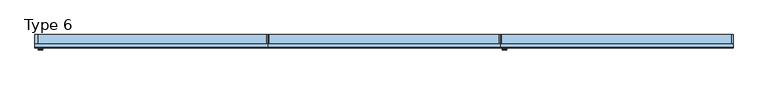
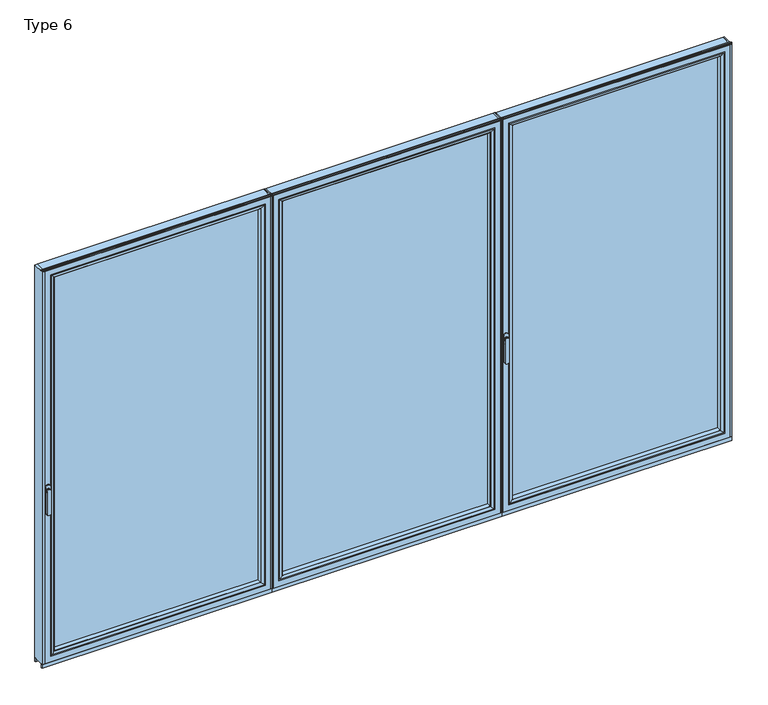
"""IFC4 building model written with IfcOpenShell, lengths in millimetres: window geometry, Type 6."""

from ifc_helpers import new_model, si_unit, point, frame, frame_2d, origin, place, context, project, spatial, polyline, circle_curve, ellipse_curve, trimmed, segment, composite_curve, outline, extrude, source, transform, mapped, element, save
from ifc_brep_helpers import plane_surface, cylinder_surface, extruded_surface, advanced_brep


def type_6_02efb5b7(model_context):
    return source(origin(), model_context, "Body", "SolidModel", [
        advanced_brep(
        [(42.2886308, -73.5, 1050.0), (18.3113692, -73.5, 1050.0), (42.2886308, -76.8965533, 1050.0), (18.3113692, -76.8965533, 1050.0), (42.2886308, -84.5, 1050.0), (18.3113692, -84.5, 1050.0), (18.3113692, -84.5, 918.6867153), (42.2886308, -84.5, 918.6867153), (42.2886308, -76.8965533, 918.6867153), (18.3113692, -76.8965533, 918.6867153)],
        [
            (0, 1, circle_curve(frame((30.3, -73.5, 1050.0), z_axis=(0.0, 1.0, 0.0), x_axis=(-1.0, 0.0, 0.0)), 11.9886308)),
            (1, 0, circle_curve(frame((30.3, -73.5, 1050.0), z_axis=(0.0, 1.0, 0.0), x_axis=(-1.0, 0.0, 0.0)), 11.9886308)),
            (0, 2),
            (2, 3, circle_curve(frame((30.3, -76.8965533, 1050.0), z_axis=(0.0, 1.0, 0.0), x_axis=(-1.0, 0.0, 0.0)), 11.9886308)),
            (3, 1),
            (3, 2, circle_curve(frame((30.3, -76.8965533, 1050.0), z_axis=(0.0, 1.0, 0.0), x_axis=(-1.0, 0.0, 0.0)), 11.9886308)),
            (4, 5, circle_curve(frame((30.3, -84.5, 1050.0), z_axis=(0.0, -1.0, 0.0), x_axis=(-1.0, 0.0, 0.0)), 11.9886308)),
            (5, 6),
            (6, 7, ellipse_curve(frame((30.3, -84.5, 918.6867153), z_axis=(0.0, -1.0, 0.0), x_axis=(1.0, 0.0, 0.0)), 11.9886308, 7.9050795)),
            (7, 4),
            (2, 8),
            (8, 9, ellipse_curve(frame((30.3, -76.8965533, 918.6867153), z_axis=(0.0, 1.0, 0.0), x_axis=(1.0, 0.0, 0.0)), 11.9886308, 7.9050795)),
            (9, 3),
            (7, 8),
            (2, 4),
            (6, 9),
            (5, 3),
        ],
        [
            plane_surface(frame((18.3113692, -73.5, 1050.0), z_axis=(0.0, 1.0, 0.0), x_axis=(0.0, 0.0, -1.0))),
            cylinder_surface(frame((30.3, -73.5, 1050.0), z_axis=(0.0, -1.0, 0.0), x_axis=(-1.0, 0.0, 0.0)), 11.9886308),
            plane_surface(frame((42.2886308, -84.5, 928.3382074), z_axis=(0.0, -1.0, 0.0), x_axis=(0.0, 0.0, -1.0))),
            plane_surface(frame((42.2886308, -76.8965533, 928.3382074), z_axis=(0.0, 1.0, 0.0), x_axis=(0.0, 0.0, 1.0))),
            plane_surface(frame((42.2886308, -84.5, 1050.0), z_axis=(1.0, 0.0, 0.0), x_axis=(0.0, 1.0, 0.0))),
            extruded_surface(trimmed(ellipse_curve(frame((30.3, -76.8965533, 918.6867153), z_axis=(0.0, 1.0, 0.0), x_axis=(1.0, 0.0, 0.0)), 11.9886308, 7.9050795), [point((42.2886308, -76.8965533, 918.6867153))], [point((18.3113692, -76.8965533, 918.6867153))], True, "CARTESIAN"), (0.0, 7.603446699999992, 0.0), 7.603446699999992),
            plane_surface(frame((18.3113692, -84.5, 918.6867153), z_axis=(-1.0, 0.0, 0.0), x_axis=(0.0, 1.0, 0.0))),
            cylinder_surface(frame((30.3, -76.8965533, 1050.0), z_axis=(0.0, -1.0, 0.0), x_axis=(-1.0, 0.0, 0.0)), 11.9886308),
        ],
        [
            (0, [[1, 2]]),
            (1, [[3, 4, 5, -1]]),
            (1, [[-5, 6, -3, -2]]),
            (2, [[7, 8, 9, 10]]),
            (3, [[-4, 11, 12, 13]]),
            (4, [[14, -11, 15, -10]]),
            (5, [[16, -12, -14, -9]]),
            (6, [[17, -13, -16, -8]]),
            (7, [[-15, -6, -17, -7]]),
        ],
    ),
        extrude(outline(composite_curve([segment(trimmed(circle_curve(frame_2d((1068.75, 30.3)), 14.0), [point((1068.75, 44.3))], [point((1068.75, 16.3))], False, "CARTESIAN"), True, "CONTINUOUS"), segment(polyline([(1068.75, 16.3), (1031.25, 16.3)]), True, "CONTINUOUS"), segment(trimmed(circle_curve(frame_2d((1031.25, 30.3)), 14.0), [point((1031.25, 16.3))], [point((1031.25, 44.3))], False, "CARTESIAN"), True, "CONTINUOUS"), segment(polyline([(1031.25, 44.3), (1068.75, 44.3)]), True, "CONTINUOUS")], self_intersect=False)), frame((0.0, -73.5, 0.0), z_axis=(0.0, 1.0, 0.0), x_axis=(0.0, 0.0, 1.0)), (0.0, 0.0, 1.0), 3.5),
        extrude(outline(polyline([(1272.9333333, 0.0), (1272.9333333, -70.0), (1266.9333333, -70.0), (1266.9333333, 0.0), (1272.9333333, 0.0)])), frame((0.0, 0.0, 37.5), z_axis=(0.0, 0.0, 1.0), x_axis=(1.0, 0.0, 0.0)), (0.0, 0.0, 1.0), 2299.5),
        extrude(outline(polyline([(0.0, 0.0), (14.3, 0.0), (14.3, -70.0), (0.0, -70.0), (0.0, 0.0)])), frame((0.0, 0.0, 37.5), z_axis=(0.0, 0.0, 1.0), x_axis=(1.0, 0.0, 0.0)), (0.0, 0.0, 1.0), 2299.5),
        extrude(outline(polyline([(1234.9333333, -13.999939), (1234.9333333, -37.9928974), (46.3, -37.9928974), (46.3, -13.999939), (1234.9333333, -13.999939)])), frame((0.0, 0.0, 69.5), z_axis=(0.0, 0.0, 1.0), x_axis=(1.0, 0.0, 0.0)), (0.0, 0.0, 1.0), 2235.5),
        advanced_brep(
        [(68.2995728, -64.5552044, 2283.0004272), (68.2995728, -64.5552044, 91.4995728), (68.2995728, -37.9928974, 91.4995728), (68.2995728, -37.9928974, 2283.0004272), (46.3, -37.9928974, 2305.0), (1234.9333333, -37.9928974, 2305.0), (1234.9333333, -37.9928974, 69.5), (46.3, -37.9928974, 69.5), (1212.9337606, -37.9928974, 2283.0004272), (1212.9337606, -37.9928974, 91.4995728), (1212.9337606, -64.5552044, 91.4995728), (67.5900293, -65.8045072, 2283.7099707), (67.5900293, -65.8045072, 90.7900293), (1213.643304, -65.8045072, 90.7900293), (52.299939, -70.0, 2299.000061), (52.299939, -70.0, 75.499939), (1228.9333944, -70.0, 75.499939), (1234.9333333, -70.0, 2305.0), (46.3, -70.0, 2305.0), (46.3, -70.0, 69.5), (1234.9333333, -70.0, 69.5), (1228.9333944, -70.0, 2299.000061), (1212.9337606, -64.5552044, 2283.0004272), (1213.643304, -65.8045072, 2283.7099707)],
        [
            (0, 1),
            (1, 2),
            (2, 3),
            (3, 0),
            (4, 5),
            (5, 6),
            (6, 7),
            (7, 4),
            (8, 3),
            (2, 9),
            (9, 8),
            (1, 10),
            (10, 9),
            (11, 12),
            (12, 1, ellipse_curve(frame((66.8449688, -64.5552044, 90.0449688), z_axis=(-0.7071067811865475, 0.0, 0.7071067811865475), x_axis=(0.7071067811865474, 0.0, 0.7071067811865476)), 2.0571207, 1.454604)),
            (0, 11, ellipse_curve(frame((66.8449688, -64.5552044, 2284.4550312), z_axis=(-0.7071067811865475, 0.0, -0.7071067811865475), x_axis=(-0.7071067811865474, 0.0, 0.7071067811865476)), 2.0571207, 1.454604)),
            (12, 13),
            (13, 10, ellipse_curve(frame((1214.3883645, -64.5552044, 90.0449688), z_axis=(-0.7071067811865475, 0.0, -0.7071067811865475), x_axis=(-0.7071067811865476, 0.0, 0.7071067811865474)), 2.0571207, 1.454604)),
            (14, 15),
            (15, 12, ellipse_curve(frame((52.3638746, -40.2735922, 75.5638746), z_axis=(-0.7071067811865475, 0.0, 0.7071067811865475), x_axis=(0.7071067811865474, 0.0, 0.7071067811865476)), 42.0395863, 29.7264765)),
            (11, 14, ellipse_curve(frame((52.3638746, -40.2735922, 2298.9361254), z_axis=(-0.7071067811865475, 0.0, -0.7071067811865475), x_axis=(-0.7071067811865474, 0.0, 0.7071067811865476)), 42.0395863, 29.7264765)),
            (15, 16),
            (16, 13, ellipse_curve(frame((1228.8694588, -40.2735922, 75.5638746), z_axis=(-0.7071067811865475, 0.0, -0.7071067811865475), x_axis=(-0.7071067811865476, 0.0, 0.7071067811865474)), 42.0395863, 29.7264765)),
            (17, 18),
            (18, 19),
            (19, 20),
            (20, 17),
            (14, 21),
            (21, 16),
            (7, 19),
            (18, 4),
            (6, 20),
            (10, 22),
            (22, 8),
            (13, 23),
            (23, 22, ellipse_curve(frame((1214.3883645, -64.5552044, 2284.4550312), z_axis=(0.7071067811865475, 0.0, -0.7071067811865475), x_axis=(-0.7071067811865474, 0.0, -0.7071067811865476)), 2.0571207, 1.454604)),
            (21, 23, ellipse_curve(frame((1228.8694588, -40.2735922, 2298.9361254), z_axis=(0.7071067811865475, 0.0, -0.7071067811865475), x_axis=(-0.7071067811865474, 0.0, -0.7071067811865476)), 42.0395863, 29.7264765)),
            (5, 17),
            (22, 0),
            (23, 11),
        ],
        [
            plane_surface(frame((68.2995728, -37.9928974, 2283.0004272), z_axis=(1.0, 0.0, 0.0), x_axis=(0.0, 0.0, -1.0))),
            plane_surface(frame((1234.9333333, -37.9928974, 69.5), z_axis=(0.0, 1.0, 0.0), x_axis=(0.0, 0.0, 1.0))),
            plane_surface(frame((68.2995728, -37.9928974, 91.4995728), z_axis=(0.0, 0.0, 1.0), x_axis=(1.0, 0.0, 0.0))),
            cylinder_surface(frame((66.8449688, -64.5552044, 2283.0004272), z_axis=(0.0, 0.0, 1.0), x_axis=(-1.0, 0.0, 0.0)), 1.454604),
            cylinder_surface(frame((68.2995728, -64.5552044, 90.0449688), z_axis=(-1.0, 0.0, 0.0), x_axis=(0.0, 0.0, -1.0)), 1.454604),
            cylinder_surface(frame((52.3638746, -40.2735922, 2283.0004272), z_axis=(0.0, 0.0, 1.0), x_axis=(-1.0, 0.0, 0.0)), 29.7264765),
            cylinder_surface(frame((68.2995728, -40.2735922, 75.5638746), z_axis=(-1.0, 0.0, 0.0), x_axis=(0.0, 0.0, -1.0)), 29.7264765),
            plane_surface(frame((1228.9333944, -70.0, 75.499939), z_axis=(0.0, -1.0, 0.0), x_axis=(0.0, 0.0, 1.0))),
            plane_surface(frame((46.3, -70.0, 2305.0), z_axis=(-1.0, 0.0, 0.0), x_axis=(0.0, 0.0, -1.0))),
            plane_surface(frame((46.3, -70.0, 69.5), z_axis=(0.0, 0.0, -1.0), x_axis=(1.0, 0.0, 0.0))),
            plane_surface(frame((1212.9337606, -37.9928974, 91.4995728), z_axis=(-1.0, 0.0, 0.0), x_axis=(0.0, 0.0, 1.0))),
            cylinder_surface(frame((1214.3883645, -64.5552044, 91.4995728), z_axis=(0.0, 0.0, -1.0), x_axis=(1.0, 0.0, 0.0)), 1.454604),
            cylinder_surface(frame((1228.8694588, -40.2735922, 91.4995728), z_axis=(0.0, 0.0, -1.0), x_axis=(1.0, 0.0, 0.0)), 29.7264765),
            plane_surface(frame((1234.9333333, -70.0, 69.5), z_axis=(1.0, 0.0, 0.0), x_axis=(0.0, 0.0, 1.0))),
            plane_surface(frame((1212.9337606, -37.9928974, 2283.0004272), z_axis=(0.0, 0.0, -1.0), x_axis=(-1.0, 0.0, 0.0))),
            cylinder_surface(frame((1212.9337606, -64.5552044, 2284.4550312), z_axis=(1.0, 0.0, 0.0), x_axis=(0.0, 0.0, 1.0)), 1.454604),
            cylinder_surface(frame((1212.9337606, -40.2735922, 2298.9361254), z_axis=(1.0, 0.0, 0.0), x_axis=(0.0, 0.0, 1.0)), 29.7264765),
            plane_surface(frame((1234.9333333, -70.0, 2305.0), z_axis=(0.0, 0.0, 1.0), x_axis=(-1.0, 0.0, 0.0))),
        ],
        [
            (0, [[1, 2, 3, 4]]),
            (1, [[5, 6, 7, 8], [9, -3, 10, 11]]),
            (2, [[12, 13, -10, -2]]),
            (3, [[14, 15, -1, 16]]),
            (4, [[17, 18, -12, -15]]),
            (5, [[19, 20, -14, 21]]),
            (6, [[22, 23, -17, -20]]),
            (7, [[24, 25, 26, 27], [28, 29, -22, -19]]),
            (8, [[-8, 30, -25, 31]]),
            (9, [[-7, 32, -26, -30]]),
            (10, [[33, 34, -11, -13]]),
            (11, [[35, 36, -33, -18]]),
            (12, [[-29, 37, -35, -23]]),
            (13, [[-6, 38, -27, -32]]),
            (14, [[39, -4, -9, -34]]),
            (15, [[40, -16, -39, -36]]),
            (16, [[-28, -21, -40, -37]]),
            (17, [[-5, -31, -24, -38]]),
        ],
    ),
        advanced_brep(
        [(1266.9333333, -70.0, 2337.0), (1266.9333333, -70.0, 37.5), (1266.9333333, 0.0, 37.5), (1266.9333333, 0.0, 2337.0), (14.3, -70.0, 37.5), (14.3, 0.0, 37.5), (14.3, 0.0, 2337.0), (63.7991901, 0.0, 86.9991901), (1217.4341433, 0.0, 86.9991901), (1217.4341433, 0.0, 2287.5008099), (63.7991901, 0.0, 2287.5008099), (14.3, -70.0, 2337.0), (1234.9333333, -70.0, 69.5), (46.3, -70.0, 69.5), (46.3, -70.0, 2305.0), (1234.9333333, -70.0, 2305.0), (1234.9333333, -13.999939, 2305.0), (1234.9333333, -13.999939, 69.5), (46.3, -13.999939, 69.5), (46.3, -13.999939, 2305.0), (1212.9337606, -13.999939, 91.4995728), (68.2995728, -13.999939, 91.4995728), (68.2995728, -13.999939, 2283.0004272), (1212.9337606, -13.999939, 2283.0004272), (1212.9337606, -4.5004435, 2283.0004272), (1212.9337606, -4.5004435, 91.4995728), (68.2995728, -4.5004435, 91.4995728), (68.2995728, -4.5004435, 2283.0004272)],
        [
            (0, 1),
            (1, 2),
            (2, 3),
            (3, 0),
            (1, 4),
            (4, 5),
            (5, 2),
            (5, 6),
            (6, 3),
            (7, 8),
            (8, 9),
            (9, 10),
            (10, 7),
            (4, 11),
            (11, 6),
            (0, 11),
            (12, 13),
            (13, 14),
            (14, 15),
            (15, 12),
            (16, 17),
            (17, 12),
            (15, 16),
            (17, 18),
            (18, 13),
            (18, 19),
            (19, 14),
            (16, 19),
            (20, 21),
            (21, 22),
            (22, 23),
            (23, 20),
            (24, 25),
            (25, 20),
            (23, 24),
            (25, 26),
            (26, 21),
            (26, 27),
            (27, 22),
            (7, 26, ellipse_curve(frame((63.7991901, -4.5004435, 86.9991901), z_axis=(0.7071067811865475, 0.0, -0.7071067811865475), x_axis=(0.7071067811865476, 0.0, 0.7071067811865474)), 6.3645023, 4.5003827)),
            (25, 8, ellipse_curve(frame((1217.4341433, -4.5004435, 86.9991901), z_axis=(-0.7071067811865475, 0.0, -0.7071067811865475), x_axis=(0.7071067811865476, 0.0, -0.7071067811865474)), 6.3645023, 4.5003827)),
            (24, 9, ellipse_curve(frame((1217.4341433, -4.5004435, 2287.5008099), z_axis=(0.7071067811865475, 0.0, -0.7071067811865475), x_axis=(0.7071067811865474, 0.0, 0.7071067811865476)), 6.3645023, 4.5003827)),
            (10, 27, ellipse_curve(frame((63.7991901, -4.5004435, 2287.5008099), z_axis=(-0.7071067811865475, 0.0, -0.7071067811865475), x_axis=(0.7071067811865474, 0.0, -0.7071067811865476)), 6.3645023, 4.5003827)),
            (27, 24),
        ],
        [
            plane_surface(frame((1266.9333333, 0.0, 2337.0), z_axis=(1.0, 0.0, 0.0), x_axis=(0.0, 0.0, -1.0))),
            plane_surface(frame((1266.9333333, 0.0, 37.5), z_axis=(0.0, 0.0, -1.0), x_axis=(-1.0, 0.0, 0.0))),
            plane_surface(frame((1217.4341433, 0.0, 2287.5008099), z_axis=(0.0, 1.0, 0.0), x_axis=(0.0, 0.0, -1.0))),
            plane_surface(frame((14.3, 0.0, 37.5), z_axis=(-1.0, 0.0, 0.0), x_axis=(0.0, 0.0, 1.0))),
            plane_surface(frame((1266.9333333, -70.0, 2337.0), z_axis=(0.0, -1.0, 0.0), x_axis=(0.0, 0.0, -1.0))),
            plane_surface(frame((1234.9333333, -70.0, 2305.0), z_axis=(-1.0, 0.0, 0.0), x_axis=(0.0, 0.0, -1.0))),
            plane_surface(frame((1234.9333333, -70.0, 69.5), z_axis=(0.0, 0.0, 1.0), x_axis=(-1.0, 0.0, 0.0))),
            plane_surface(frame((46.3, -70.0, 69.5), z_axis=(1.0, 0.0, 0.0), x_axis=(0.0, 0.0, 1.0))),
            plane_surface(frame((1234.9333333, -13.999939, 2305.0), z_axis=(0.0, -1.0, 0.0), x_axis=(0.0, 0.0, -1.0))),
            plane_surface(frame((1212.9337606, -13.999939, 2283.0004272), z_axis=(-1.0, 0.0, 0.0), x_axis=(0.0, 0.0, -1.0))),
            plane_surface(frame((1212.9337606, -13.999939, 91.4995728), z_axis=(0.0, 0.0, 1.0), x_axis=(-1.0, 0.0, 0.0))),
            plane_surface(frame((68.2995728, -13.999939, 91.4995728), z_axis=(1.0, 0.0, 0.0), x_axis=(0.0, 0.0, 1.0))),
            cylinder_surface(frame((1272.9333333, -4.5004435, 86.9991901), z_axis=(1.0, 0.0, 0.0), x_axis=(0.0, -1.0, 0.0)), 4.5003827),
            cylinder_surface(frame((1217.4341433, -4.5004435, 2343.0), z_axis=(0.0, 0.0, 1.0), x_axis=(0.0, -1.0, 0.0)), 4.5003827),
            cylinder_surface(frame((63.7991901, -4.5004435, 31.5), z_axis=(0.0, 0.0, -1.0), x_axis=(0.0, -1.0, 0.0)), 4.5003827),
            plane_surface(frame((14.3, 0.0, 2337.0), z_axis=(0.0, 0.0, 1.0), x_axis=(1.0, 0.0, 0.0))),
            plane_surface(frame((46.3, -70.0, 2305.0), z_axis=(0.0, 0.0, -1.0), x_axis=(1.0, 0.0, 0.0))),
            plane_surface(frame((68.2995728, -13.999939, 2283.0004272), z_axis=(0.0, 0.0, -1.0), x_axis=(1.0, 0.0, 0.0))),
            cylinder_surface(frame((8.3, -4.5004435, 2287.5008099), z_axis=(-1.0, 0.0, 0.0), x_axis=(0.0, -1.0, 0.0)), 4.5003827),
        ],
        [
            (0, [[1, 2, 3, 4]]),
            (1, [[5, 6, 7, -2]]),
            (2, [[-7, 8, 9, -3], [10, 11, 12, 13]]),
            (3, [[14, 15, -8, -6]]),
            (4, [[-5, -1, 16, -14], [17, 18, 19, 20]]),
            (5, [[21, 22, -20, 23]]),
            (6, [[24, 25, -17, -22]]),
            (7, [[26, 27, -18, -25]]),
            (8, [[-24, -21, 28, -26], [29, 30, 31, 32]]),
            (9, [[33, 34, -32, 35]]),
            (10, [[36, 37, -29, -34]]),
            (11, [[38, 39, -30, -37]]),
            (12, [[-10, 40, -36, 41]]),
            (13, [[-11, -41, -33, 42]]),
            (14, [[-13, 43, -38, -40]]),
            (15, [[-16, -4, -9, -15]]),
            (16, [[-28, -23, -19, -27]]),
            (17, [[44, -35, -31, -39]]),
            (18, [[-12, -42, -44, -43]]),
        ],
    ),
        extrude(outline(polyline([(1272.9333333, -7.6000076), (0.0, -7.6000076), (0.0, 0.0), (1272.9333333, 0.0), (1272.9333333, -7.6000076)])), frame((0.0, 0.0, 15.4995117), z_axis=(0.0, 0.0, 1.0), x_axis=(1.0, 0.0, 0.0)), (0.0, 0.0, 1.0), 22.0004883),
        extrude(outline(polyline([(1272.9333333, -70.0), (0.0, -70.0), (0.0, -62.2757497), (1272.9333333, -62.2757497), (1272.9333333, -70.0)])), frame((0.0, 0.0, 15.4995117), z_axis=(0.0, 0.0, 1.0), x_axis=(1.0, 0.0, 0.0)), (0.0, 0.0, 1.0), 22.0004883),
        extrude(outline(composite_curve([segment(polyline([(-52.044326, 2339.1400778), (-52.044326, 2337.0), (-70.0, 2337.0), (-71.8735116, 2343.9547971)]), True, "CONTINUOUS"), segment(trimmed(circle_curve(frame_2d((-69.9423544, 2344.4750201)), 2.0), [point((-71.8735116, 2343.9547971))], [point((-71.8738669, 2344.9939222))], False, "CARTESIAN"), True, "CONTINUOUS"), segment(polyline([(-71.8738669, 2344.9939222), (-70.8937897, 2348.6420698), (-70.0, 2348.6420698), (-70.0, 2342.963961), (-68.6363596, 2339.1400778), (-52.044326, 2339.1400778)]), True, "CONTINUOUS")], self_intersect=False)), frame((0.0, 0.0, 0.0), z_axis=(1.0, 0.0, 0.0), x_axis=(0.0, 1.0, 0.0)), (0.0, 0.0, 1.0), 1272.9333333),
        extrude(outline(polyline([(1272.9333333, 0.0), (1278.9333333, 0.0), (1278.9333333, -70.0), (1272.9333333, -70.0), (1272.9333333, 0.0)])), frame((0.0, 0.0, 37.5), z_axis=(0.0, 0.0, 1.0), x_axis=(1.0, 0.0, 0.0)), (0.0, 0.0, 1.0), 2299.5),
        extrude(outline(polyline([(2545.8666667, 0.0), (2545.8666667, -70.0), (2539.8666667, -70.0), (2539.8666667, 0.0), (2545.8666667, 0.0)])), frame((0.0, 0.0, 37.5), z_axis=(0.0, 0.0, 1.0), x_axis=(1.0, 0.0, 0.0)), (0.0, 0.0, 1.0), 2299.5),
        extrude(outline(polyline([(1310.9333333, -13.999939), (2507.8666667, -13.999939), (2507.8666667, -37.9928974), (1310.9333333, -37.9928974), (1310.9333333, -13.999939)])), frame((0.0, 0.0, 69.5), z_axis=(0.0, 0.0, 1.0), x_axis=(1.0, 0.0, 0.0)), (0.0, 0.0, 1.0), 2235.5),
        advanced_brep(
        [(2485.8670939, -64.5552044, 2283.0004272), (2485.8670939, -37.9928974, 2283.0004272), (2485.8670939, -37.9928974, 91.4995728), (2485.8670939, -64.5552044, 91.4995728), (2507.8666667, -37.9928974, 2305.0), (2507.8666667, -37.9928974, 69.5), (1310.9333333, -37.9928974, 69.5), (1310.9333333, -37.9928974, 2305.0), (1332.9329061, -37.9928974, 2283.0004272), (1332.9329061, -37.9928974, 91.4995728), (1332.9329061, -64.5552044, 91.4995728), (2486.5766373, -65.8045072, 2283.7099707), (2486.5766373, -65.8045072, 90.7900293), (1332.2233627, -65.8045072, 90.7900293), (2501.8667277, -70.0, 2299.000061), (2501.8667277, -70.0, 75.499939), (1316.9332723, -70.0, 75.499939), (1310.9333333, -70.0, 2305.0), (1310.9333333, -70.0, 69.5), (2507.8666667, -70.0, 69.5), (2507.8666667, -70.0, 2305.0), (1316.9332723, -70.0, 2299.000061), (1332.9329061, -64.5552044, 2283.0004272), (1332.2233627, -65.8045072, 2283.7099707)],
        [
            (0, 1),
            (1, 2),
            (2, 3),
            (3, 0),
            (4, 5),
            (5, 6),
            (6, 7),
            (7, 4),
            (8, 9),
            (9, 2),
            (1, 8),
            (9, 10),
            (10, 3),
            (11, 0, ellipse_curve(frame((2487.3216979, -64.5552044, 2284.4550312), z_axis=(0.7071067811865475, 0.0, -0.7071067811865475), x_axis=(0.7071067811865474, 0.0, 0.7071067811865476)), 2.0571207, 1.454604)),
            (3, 12, ellipse_curve(frame((2487.3216979, -64.5552044, 90.0449688), z_axis=(0.7071067811865475, 0.0, 0.7071067811865475), x_axis=(-0.7071067811865474, 0.0, 0.7071067811865476)), 2.0571207, 1.454604)),
            (12, 11),
            (10, 13, ellipse_curve(frame((1331.4783021, -64.5552044, 90.0449688), z_axis=(0.7071067811865475, 0.0, -0.7071067811865475), x_axis=(0.7071067811865476, 0.0, 0.7071067811865474)), 2.0571207, 1.454604)),
            (13, 12),
            (14, 11, ellipse_curve(frame((2501.8027921, -40.2735922, 2298.9361254), z_axis=(0.7071067811865475, 0.0, -0.7071067811865475), x_axis=(0.7071067811865474, 0.0, 0.7071067811865476)), 42.0395863, 29.7264765)),
            (12, 15, ellipse_curve(frame((2501.8027921, -40.2735922, 75.5638746), z_axis=(0.7071067811865475, 0.0, 0.7071067811865475), x_axis=(-0.7071067811865474, 0.0, 0.7071067811865476)), 42.0395863, 29.7264765)),
            (15, 14),
            (13, 16, ellipse_curve(frame((1316.9972079, -40.2735922, 75.5638746), z_axis=(0.7071067811865475, 0.0, -0.7071067811865475), x_axis=(0.7071067811865476, 0.0, 0.7071067811865474)), 42.0395863, 29.7264765)),
            (16, 15),
            (17, 18),
            (18, 19),
            (19, 20),
            (20, 17),
            (16, 21),
            (21, 14),
            (4, 20),
            (19, 5),
            (18, 6),
            (8, 22),
            (22, 10),
            (22, 23, ellipse_curve(frame((1331.4783021, -64.5552044, 2284.4550312), z_axis=(-0.7071067811865475, 0.0, -0.7071067811865475), x_axis=(0.7071067811865474, 0.0, -0.7071067811865476)), 2.0571207, 1.454604)),
            (23, 13),
            (23, 21, ellipse_curve(frame((1316.9972079, -40.2735922, 2298.9361254), z_axis=(-0.7071067811865475, 0.0, -0.7071067811865475), x_axis=(0.7071067811865474, 0.0, -0.7071067811865476)), 42.0395863, 29.7264765)),
            (17, 7),
            (0, 22),
            (11, 23),
        ],
        [
            plane_surface(frame((2485.8670939, -37.9928974, 2283.0004272), z_axis=(-1.0, 0.0, 0.0), x_axis=(0.0, 0.0, -1.0))),
            plane_surface(frame((1310.9333333, -37.9928974, 69.5), z_axis=(0.0, 1.0, 0.0), x_axis=(0.0, 0.0, 1.0))),
            plane_surface(frame((2485.8670939, -37.9928974, 91.4995728), z_axis=(0.0, 0.0, 1.0), x_axis=(-1.0, 0.0, 0.0))),
            cylinder_surface(frame((2487.3216979, -64.5552044, 2283.0004272), z_axis=(0.0, 0.0, 1.0), x_axis=(1.0, 0.0, 0.0)), 1.454604),
            cylinder_surface(frame((2485.8670939, -64.5552044, 90.0449688), z_axis=(1.0, 0.0, 0.0), x_axis=(0.0, 0.0, -1.0)), 1.454604),
            cylinder_surface(frame((2501.8027921, -40.2735922, 2283.0004272), z_axis=(0.0, 0.0, 1.0), x_axis=(1.0, 0.0, 0.0)), 29.7264765),
            cylinder_surface(frame((2485.8670939, -40.2735922, 75.5638746), z_axis=(1.0, 0.0, 0.0), x_axis=(0.0, 0.0, -1.0)), 29.7264765),
            plane_surface(frame((1316.9332723, -70.0, 75.499939), z_axis=(0.0, -1.0, 0.0), x_axis=(0.0, 0.0, 1.0))),
            plane_surface(frame((2507.8666667, -70.0, 2305.0), z_axis=(1.0, 0.0, 0.0), x_axis=(0.0, 0.0, -1.0))),
            plane_surface(frame((2507.8666667, -70.0, 69.5), z_axis=(0.0, 0.0, -1.0), x_axis=(-1.0, 0.0, 0.0))),
            plane_surface(frame((1332.9329061, -37.9928974, 91.4995728), z_axis=(1.0, 0.0, 0.0), x_axis=(0.0, 0.0, 1.0))),
            cylinder_surface(frame((1331.4783021, -64.5552044, 91.4995728), z_axis=(0.0, 0.0, -1.0), x_axis=(-1.0, 0.0, 0.0)), 1.454604),
            cylinder_surface(frame((1316.9972079, -40.2735922, 91.4995728), z_axis=(0.0, 0.0, -1.0), x_axis=(-1.0, 0.0, 0.0)), 29.7264765),
            plane_surface(frame((1310.9333333, -70.0, 69.5), z_axis=(-1.0, 0.0, 0.0), x_axis=(0.0, 0.0, 1.0))),
            plane_surface(frame((1332.9329061, -37.9928974, 2283.0004272), z_axis=(0.0, 0.0, -1.0), x_axis=(1.0, 0.0, 0.0))),
            cylinder_surface(frame((1332.9329061, -64.5552044, 2284.4550312), z_axis=(-1.0, 0.0, 0.0), x_axis=(0.0, 0.0, 1.0)), 1.454604),
            cylinder_surface(frame((1332.9329061, -40.2735922, 2298.9361254), z_axis=(-1.0, 0.0, 0.0), x_axis=(0.0, 0.0, 1.0)), 29.7264765),
            plane_surface(frame((1310.9333333, -70.0, 2305.0), z_axis=(0.0, 0.0, 1.0), x_axis=(1.0, 0.0, 0.0))),
        ],
        [
            (0, [[1, 2, 3, 4]]),
            (1, [[5, 6, 7, 8], [9, 10, -2, 11]]),
            (2, [[-3, -10, 12, 13]]),
            (3, [[14, -4, 15, 16]]),
            (4, [[-15, -13, 17, 18]]),
            (5, [[19, -16, 20, 21]]),
            (6, [[-20, -18, 22, 23]]),
            (7, [[24, 25, 26, 27], [-21, -23, 28, 29]]),
            (8, [[30, -26, 31, -5]]),
            (9, [[-31, -25, 32, -6]]),
            (10, [[-12, -9, 33, 34]]),
            (11, [[-17, -34, 35, 36]]),
            (12, [[-22, -36, 37, -28]]),
            (13, [[-32, -24, 38, -7]]),
            (14, [[-33, -11, -1, 39]]),
            (15, [[-35, -39, -14, 40]]),
            (16, [[-37, -40, -19, -29]]),
            (17, [[-38, -27, -30, -8]]),
        ],
    ),
        advanced_brep(
        [(1278.9333333, -70.0, 2337.0), (1278.9333333, 0.0, 2337.0), (1278.9333333, 0.0, 37.5), (1278.9333333, -70.0, 37.5), (2539.8666667, 0.0, 37.5), (2539.8666667, -70.0, 37.5), (2539.8666667, 0.0, 2337.0), (2490.3674766, 0.0, 86.9991901), (2490.3674766, 0.0, 2287.5008099), (1328.4325234, 0.0, 2287.5008099), (1328.4325234, 0.0, 86.9991901), (2539.8666667, -70.0, 2337.0), (1310.9333333, -70.0, 69.5), (1310.9333333, -70.0, 2305.0), (2507.8666667, -70.0, 2305.0), (2507.8666667, -70.0, 69.5), (1310.9333333, -13.999939, 2305.0), (1310.9333333, -13.999939, 69.5), (2507.8666667, -13.999939, 69.5), (2507.8666667, -13.999939, 2305.0), (1332.9329061, -13.999939, 91.4995728), (1332.9329061, -13.999939, 2283.0004272), (2485.8670939, -13.999939, 2283.0004272), (2485.8670939, -13.999939, 91.4995728), (1332.9329061, -4.5004435, 2283.0004272), (1332.9329061, -4.5004435, 91.4995728), (2485.8670939, -4.5004435, 91.4995728), (2485.8670939, -4.5004435, 2283.0004272)],
        [
            (0, 1),
            (1, 2),
            (2, 3),
            (3, 0),
            (2, 4),
            (4, 5),
            (5, 3),
            (1, 6),
            (6, 4),
            (7, 8),
            (8, 9),
            (9, 10),
            (10, 7),
            (6, 11),
            (11, 5),
            (11, 0),
            (12, 13),
            (13, 14),
            (14, 15),
            (15, 12),
            (16, 13),
            (12, 17),
            (17, 16),
            (15, 18),
            (18, 17),
            (14, 19),
            (19, 18),
            (19, 16),
            (20, 21),
            (21, 22),
            (22, 23),
            (23, 20),
            (24, 21),
            (20, 25),
            (25, 24),
            (23, 26),
            (26, 25),
            (22, 27),
            (27, 26),
            (10, 25, ellipse_curve(frame((1328.4325234, -4.5004435, 86.9991901), z_axis=(0.7071067811865475, 0.0, -0.7071067811865475), x_axis=(-0.7071067811865476, 0.0, -0.7071067811865474)), 6.3645023, 4.5003827)),
            (26, 7, ellipse_curve(frame((2490.3674766, -4.5004435, 86.9991901), z_axis=(-0.7071067811865475, 0.0, -0.7071067811865475), x_axis=(-0.7071067811865476, 0.0, 0.7071067811865474)), 6.3645023, 4.5003827)),
            (9, 24, ellipse_curve(frame((1328.4325234, -4.5004435, 2287.5008099), z_axis=(-0.7071067811865475, 0.0, -0.7071067811865475), x_axis=(-0.7071067811865474, 0.0, 0.7071067811865476)), 6.3645023, 4.5003827)),
            (27, 8, ellipse_curve(frame((2490.3674766, -4.5004435, 2287.5008099), z_axis=(0.7071067811865475, 0.0, -0.7071067811865475), x_axis=(-0.7071067811865474, 0.0, -0.7071067811865476)), 6.3645023, 4.5003827)),
            (24, 27),
        ],
        [
            plane_surface(frame((1278.9333333, 0.0, 2337.0), z_axis=(-1.0, 0.0, 0.0), x_axis=(0.0, 0.0, -1.0))),
            plane_surface(frame((1278.9333333, 0.0, 37.5), z_axis=(0.0, 0.0, -1.0), x_axis=(1.0, 0.0, 0.0))),
            plane_surface(frame((1328.4325234, 0.0, 2287.5008099), z_axis=(0.0, 1.0, 0.0), x_axis=(0.0, 0.0, -1.0))),
            plane_surface(frame((2539.8666667, 0.0, 37.5), z_axis=(1.0, 0.0, 0.0), x_axis=(0.0, 0.0, 1.0))),
            plane_surface(frame((1278.9333333, -70.0, 2337.0), z_axis=(0.0, -1.0, 0.0), x_axis=(0.0, 0.0, -1.0))),
            plane_surface(frame((1310.9333333, -70.0, 2305.0), z_axis=(1.0, 0.0, 0.0), x_axis=(0.0, 0.0, -1.0))),
            plane_surface(frame((1310.9333333, -70.0, 69.5), z_axis=(0.0, 0.0, 1.0), x_axis=(1.0, 0.0, 0.0))),
            plane_surface(frame((2507.8666667, -70.0, 69.5), z_axis=(-1.0, 0.0, 0.0), x_axis=(0.0, 0.0, 1.0))),
            plane_surface(frame((1310.9333333, -13.999939, 2305.0), z_axis=(0.0, -1.0, 0.0), x_axis=(0.0, 0.0, -1.0))),
            plane_surface(frame((1332.9329061, -13.999939, 2283.0004272), z_axis=(1.0, 0.0, 0.0), x_axis=(0.0, 0.0, -1.0))),
            plane_surface(frame((1332.9329061, -13.999939, 91.4995728), z_axis=(0.0, 0.0, 1.0), x_axis=(1.0, 0.0, 0.0))),
            plane_surface(frame((2485.8670939, -13.999939, 91.4995728), z_axis=(-1.0, 0.0, 0.0), x_axis=(0.0, 0.0, 1.0))),
            cylinder_surface(frame((1272.9333333, -4.5004435, 86.9991901), z_axis=(-1.0, 0.0, 0.0), x_axis=(0.0, -1.0, 0.0)), 4.5003827),
            cylinder_surface(frame((1328.4325234, -4.5004435, 2343.0), z_axis=(0.0, 0.0, 1.0), x_axis=(0.0, -1.0, 0.0)), 4.5003827),
            cylinder_surface(frame((2490.3674766, -4.5004435, 31.5), z_axis=(0.0, 0.0, -1.0), x_axis=(0.0, -1.0, 0.0)), 4.5003827),
            plane_surface(frame((2539.8666667, 0.0, 2337.0), z_axis=(0.0, 0.0, 1.0), x_axis=(-1.0, 0.0, 0.0))),
            plane_surface(frame((2507.8666667, -70.0, 2305.0), z_axis=(0.0, 0.0, -1.0), x_axis=(-1.0, 0.0, 0.0))),
            plane_surface(frame((2485.8670939, -13.999939, 2283.0004272), z_axis=(0.0, 0.0, -1.0), x_axis=(-1.0, 0.0, 0.0))),
            cylinder_surface(frame((2545.8666667, -4.5004435, 2287.5008099), z_axis=(1.0, 0.0, 0.0), x_axis=(0.0, -1.0, 0.0)), 4.5003827),
        ],
        [
            (0, [[1, 2, 3, 4]]),
            (1, [[-3, 5, 6, 7]]),
            (2, [[-2, 8, 9, -5], [10, 11, 12, 13]]),
            (3, [[-6, -9, 14, 15]]),
            (4, [[-15, 16, -4, -7], [17, 18, 19, 20]]),
            (5, [[21, -17, 22, 23]]),
            (6, [[-22, -20, 24, 25]]),
            (7, [[-24, -19, 26, 27]]),
            (8, [[-27, 28, -23, -25], [29, 30, 31, 32]]),
            (9, [[33, -29, 34, 35]]),
            (10, [[-34, -32, 36, 37]]),
            (11, [[-36, -31, 38, 39]]),
            (12, [[40, -37, 41, -13]]),
            (13, [[42, -35, -40, -12]]),
            (14, [[-41, -39, 43, -10]]),
            (15, [[-14, -8, -1, -16]]),
            (16, [[-26, -18, -21, -28]]),
            (17, [[-38, -30, -33, 44]]),
            (18, [[-43, -44, -42, -11]]),
        ],
    ),
        extrude(outline(polyline([(1272.9333333, -7.6000076), (1272.9333333, 0.0), (2545.8666667, 0.0), (2545.8666667, -7.6000076), (1272.9333333, -7.6000076)])), frame((0.0, 0.0, 15.4995117), z_axis=(0.0, 0.0, 1.0), x_axis=(1.0, 0.0, 0.0)), (0.0, 0.0, 1.0), 22.0004883),
        extrude(outline(polyline([(1272.9333333, -70.0), (1272.9333333, -62.2757497), (2545.8666667, -62.2757497), (2545.8666667, -70.0), (1272.9333333, -70.0)])), frame((0.0, 0.0, 15.4995117), z_axis=(0.0, 0.0, 1.0), x_axis=(1.0, 0.0, 0.0)), (0.0, 0.0, 1.0), 22.0004883),
        extrude(outline(composite_curve([segment(polyline([(-52.044326, 2339.1400778), (-52.044326, 2337.0), (-70.0, 2337.0), (-71.8735116, 2343.9547971)]), True, "CONTINUOUS"), segment(trimmed(circle_curve(frame_2d((-69.9423544, 2344.4750201)), 2.0), [point((-71.8735116, 2343.9547971))], [point((-71.8738669, 2344.9939222))], False, "CARTESIAN"), True, "CONTINUOUS"), segment(polyline([(-71.8738669, 2344.9939222), (-70.8937897, 2348.6420698), (-70.0, 2348.6420698), (-70.0, 2342.963961), (-68.6363596, 2339.1400778), (-52.044326, 2339.1400778)]), True, "CONTINUOUS")], self_intersect=False)), frame((1272.9333333, 0.0, 0.0), z_axis=(1.0, 0.0, 0.0), x_axis=(0.0, 1.0, 0.0)), (0.0, 0.0, 1.0), 1272.9333333),
        advanced_brep(
        [(2579.8552975, -73.5, 1050.0), (2555.8780359, -73.5, 1050.0), (2579.8552975, -76.8965533, 1050.0), (2555.8780359, -76.8965533, 1050.0), (2579.8552975, -84.5, 1050.0), (2555.8780359, -84.5, 1050.0), (2555.8780359, -84.5, 918.6867153), (2579.8552975, -84.5, 918.6867153), (2579.8552975, -76.8965533, 918.6867153), (2555.8780359, -76.8965533, 918.6867153)],
        [
            (0, 1, circle_curve(frame((2567.8666667, -73.5, 1050.0), z_axis=(0.0, 1.0, 0.0), x_axis=(-1.0, 0.0, 0.0)), 11.9886308)),
            (1, 0, circle_curve(frame((2567.8666667, -73.5, 1050.0), z_axis=(0.0, 1.0, 0.0), x_axis=(-1.0, 0.0, 0.0)), 11.9886308)),
            (0, 2),
            (2, 3, circle_curve(frame((2567.8666667, -76.8965533, 1050.0), z_axis=(0.0, 1.0, 0.0), x_axis=(-1.0, 0.0, 0.0)), 11.9886308)),
            (3, 1),
            (3, 2, circle_curve(frame((2567.8666667, -76.8965533, 1050.0), z_axis=(0.0, 1.0, 0.0), x_axis=(-1.0, 0.0, 0.0)), 11.9886308)),
            (4, 5, circle_curve(frame((2567.8666667, -84.5, 1050.0), z_axis=(0.0, -1.0, 0.0), x_axis=(-1.0, 0.0, 0.0)), 11.9886308)),
            (5, 6),
            (6, 7, ellipse_curve(frame((2567.8666667, -84.5, 918.6867153), z_axis=(0.0, -1.0, 0.0), x_axis=(1.0, 0.0, 0.0)), 11.9886308, 7.9050795)),
            (7, 4),
            (2, 8),
            (8, 9, ellipse_curve(frame((2567.8666667, -76.8965533, 918.6867153), z_axis=(0.0, 1.0, 0.0), x_axis=(1.0, 0.0, 0.0)), 11.9886308, 7.9050795)),
            (9, 3),
            (7, 8),
            (2, 4),
            (6, 9),
            (5, 3),
        ],
        [
            plane_surface(frame((2555.8780359, -73.5, 1050.0), z_axis=(0.0, 1.0, 0.0), x_axis=(0.0, 0.0, -1.0))),
            cylinder_surface(frame((2567.8666667, -73.5, 1050.0), z_axis=(0.0, -1.0, 0.0), x_axis=(-1.0, 0.0, 0.0)), 11.9886308),
            plane_surface(frame((2579.8552975, -84.5, 928.3382074), z_axis=(0.0, -1.0, 0.0), x_axis=(0.0, 0.0, -1.0))),
            plane_surface(frame((2579.8552975, -76.8965533, 928.3382074), z_axis=(0.0, 1.0, 0.0), x_axis=(0.0, 0.0, 1.0))),
            plane_surface(frame((2579.8552975, -84.5, 1050.0), z_axis=(1.0, 0.0, 0.0), x_axis=(0.0, 1.0, 0.0))),
            extruded_surface(trimmed(ellipse_curve(frame((2567.8666667, -76.8965533, 918.6867153), z_axis=(0.0, 1.0, 0.0), x_axis=(1.0, 0.0, 0.0)), 11.9886308, 7.9050795), [point((2579.8552975, -76.8965533, 918.6867153))], [point((2555.8780359, -76.8965533, 918.6867153))], True, "CARTESIAN"), (0.0, 7.603446699999992, 0.0), 7.603446699999992),
            plane_surface(frame((2555.8780359, -84.5, 918.6867153), z_axis=(-1.0, 0.0, 0.0), x_axis=(0.0, 1.0, 0.0))),
            cylinder_surface(frame((2567.8666667, -76.8965533, 1050.0), z_axis=(0.0, -1.0, 0.0), x_axis=(-1.0, 0.0, 0.0)), 11.9886308),
        ],
        [
            (0, [[1, 2]]),
            (1, [[3, 4, 5, -1]]),
            (1, [[-5, 6, -3, -2]]),
            (2, [[7, 8, 9, 10]]),
            (3, [[-4, 11, 12, 13]]),
            (4, [[14, -11, 15, -10]]),
            (5, [[16, -12, -14, -9]]),
            (6, [[17, -13, -16, -8]]),
            (7, [[-15, -6, -17, -7]]),
        ],
    ),
        extrude(outline(composite_curve([segment(trimmed(circle_curve(frame_2d((1068.75, 2567.8666667)), 14.0), [point((1068.75, 2581.8666667))], [point((1068.75, 2553.8666667))], False, "CARTESIAN"), True, "CONTINUOUS"), segment(polyline([(1068.75, 2553.8666667), (1031.25, 2553.8666667)]), True, "CONTINUOUS"), segment(trimmed(circle_curve(frame_2d((1031.25, 2567.8666667)), 14.0), [point((1031.25, 2553.8666667))], [point((1031.25, 2581.8666667))], False, "CARTESIAN"), True, "CONTINUOUS"), segment(polyline([(1031.25, 2581.8666667), (1068.75, 2581.8666667)]), True, "CONTINUOUS")], self_intersect=False)), frame((0.0, -73.5, 0.0), z_axis=(0.0, 1.0, 0.0), x_axis=(0.0, 0.0, 1.0)), (0.0, 0.0, 1.0), 3.5),
        extrude(outline(polyline([(3818.8, 0.0), (3818.8, -70.0), (3812.8, -70.0), (3812.8, 0.0), (3818.8, 0.0)])), frame((0.0, 0.0, 37.5), z_axis=(0.0, 0.0, 1.0), x_axis=(1.0, 0.0, 0.0)), (0.0, 0.0, 1.0), 2299.5),
        extrude(outline(polyline([(2545.8666667, 0.0), (2551.8666667, 0.0), (2551.8666667, -70.0), (2545.8666667, -70.0), (2545.8666667, 0.0)])), frame((0.0, 0.0, 37.5), z_axis=(0.0, 0.0, 1.0), x_axis=(1.0, 0.0, 0.0)), (0.0, 0.0, 1.0), 2299.5),
        extrude(outline(polyline([(3780.8, -13.999939), (3780.8, -37.9928974), (2583.8666667, -37.9928974), (2583.8666667, -13.999939), (3780.8, -13.999939)])), frame((0.0, 0.0, 69.5), z_axis=(0.0, 0.0, 1.0), x_axis=(1.0, 0.0, 0.0)), (0.0, 0.0, 1.0), 2235.5),
        advanced_brep(
        [(2605.8662394, -64.5552044, 2283.0004272), (2605.8662394, -64.5552044, 91.4995728), (2605.8662394, -37.9928974, 91.4995728), (2605.8662394, -37.9928974, 2283.0004272), (2583.8666667, -37.9928974, 2305.0), (3780.8, -37.9928974, 2305.0), (3780.8, -37.9928974, 69.5), (2583.8666667, -37.9928974, 69.5), (3758.8004272, -37.9928974, 2283.0004272), (3758.8004272, -37.9928974, 91.4995728), (3758.8004272, -64.5552044, 91.4995728), (2605.156696, -65.8045072, 2283.7099707), (2605.156696, -65.8045072, 90.7900293), (3759.5099707, -65.8045072, 90.7900293), (2589.8666056, -70.0, 2299.000061), (2589.8666056, -70.0, 75.499939), (3774.800061, -70.0, 75.499939), (3780.8, -70.0, 2305.0), (2583.8666667, -70.0, 2305.0), (2583.8666667, -70.0, 69.5), (3780.8, -70.0, 69.5), (3774.800061, -70.0, 2299.000061), (3758.8004272, -64.5552044, 2283.0004272), (3759.5099707, -65.8045072, 2283.7099707)],
        [
            (0, 1),
            (1, 2),
            (2, 3),
            (3, 0),
            (4, 5),
            (5, 6),
            (6, 7),
            (7, 4),
            (8, 3),
            (2, 9),
            (9, 8),
            (1, 10),
            (10, 9),
            (11, 12),
            (12, 1, ellipse_curve(frame((2604.4116355, -64.5552044, 90.0449688), z_axis=(-0.7071067811865475, 0.0, 0.7071067811865475), x_axis=(0.7071067811865474, 0.0, 0.7071067811865476)), 2.0571207, 1.454604)),
            (0, 11, ellipse_curve(frame((2604.4116355, -64.5552044, 2284.4550312), z_axis=(-0.7071067811865475, 0.0, -0.7071067811865475), x_axis=(-0.7071067811865474, 0.0, 0.7071067811865476)), 2.0571207, 1.454604)),
            (12, 13),
            (13, 10, ellipse_curve(frame((3760.2550312, -64.5552044, 90.0449688), z_axis=(-0.7071067811865475, 0.0, -0.7071067811865475), x_axis=(-0.7071067811865476, 0.0, 0.7071067811865474)), 2.0571207, 1.454604)),
            (14, 15),
            (15, 12, ellipse_curve(frame((2589.9305412, -40.2735922, 75.5638746), z_axis=(-0.7071067811865475, 0.0, 0.7071067811865475), x_axis=(0.7071067811865474, 0.0, 0.7071067811865476)), 42.0395863, 29.7264765)),
            (11, 14, ellipse_curve(frame((2589.9305412, -40.2735922, 2298.9361254), z_axis=(-0.7071067811865475, 0.0, -0.7071067811865475), x_axis=(-0.7071067811865474, 0.0, 0.7071067811865476)), 42.0395863, 29.7264765)),
            (15, 16),
            (16, 13, ellipse_curve(frame((3774.7361254, -40.2735922, 75.5638746), z_axis=(-0.7071067811865475, 0.0, -0.7071067811865475), x_axis=(-0.7071067811865476, 0.0, 0.7071067811865474)), 42.0395863, 29.7264765)),
            (17, 18),
            (18, 19),
            (19, 20),
            (20, 17),
            (14, 21),
            (21, 16),
            (7, 19),
            (18, 4),
            (6, 20),
            (10, 22),
            (22, 8),
            (13, 23),
            (23, 22, ellipse_curve(frame((3760.2550312, -64.5552044, 2284.4550312), z_axis=(0.7071067811865475, 0.0, -0.7071067811865475), x_axis=(-0.7071067811865474, 0.0, -0.7071067811865476)), 2.0571207, 1.454604)),
            (21, 23, ellipse_curve(frame((3774.7361254, -40.2735922, 2298.9361254), z_axis=(0.7071067811865475, 0.0, -0.7071067811865475), x_axis=(-0.7071067811865474, 0.0, -0.7071067811865476)), 42.0395863, 29.7264765)),
            (5, 17),
            (22, 0),
            (23, 11),
        ],
        [
            plane_surface(frame((2605.8662394, -37.9928974, 2283.0004272), z_axis=(1.0, 0.0, 0.0), x_axis=(0.0, 0.0, -1.0))),
            plane_surface(frame((3780.8, -37.9928974, 69.5), z_axis=(0.0, 1.0, 0.0), x_axis=(0.0, 0.0, 1.0))),
            plane_surface(frame((2605.8662394, -37.9928974, 91.4995728), z_axis=(0.0, 0.0, 1.0), x_axis=(1.0, 0.0, 0.0))),
            cylinder_surface(frame((2604.4116355, -64.5552044, 2283.0004272), z_axis=(0.0, 0.0, 1.0), x_axis=(-1.0, 0.0, 0.0)), 1.454604),
            cylinder_surface(frame((2605.8662394, -64.5552044, 90.0449688), z_axis=(-1.0, 0.0, 0.0), x_axis=(0.0, 0.0, -1.0)), 1.454604),
            cylinder_surface(frame((2589.9305412, -40.2735922, 2283.0004272), z_axis=(0.0, 0.0, 1.0), x_axis=(-1.0, 0.0, 0.0)), 29.7264765),
            cylinder_surface(frame((2605.8662394, -40.2735922, 75.5638746), z_axis=(-1.0, 0.0, 0.0), x_axis=(0.0, 0.0, -1.0)), 29.7264765),
            plane_surface(frame((3774.800061, -70.0, 75.499939), z_axis=(0.0, -1.0, 0.0), x_axis=(0.0, 0.0, 1.0))),
            plane_surface(frame((2583.8666667, -70.0, 2305.0), z_axis=(-1.0, 0.0, 0.0), x_axis=(0.0, 0.0, -1.0))),
            plane_surface(frame((2583.8666667, -70.0, 69.5), z_axis=(0.0, 0.0, -1.0), x_axis=(1.0, 0.0, 0.0))),
            plane_surface(frame((3758.8004272, -37.9928974, 91.4995728), z_axis=(-1.0, 0.0, 0.0), x_axis=(0.0, 0.0, 1.0))),
            cylinder_surface(frame((3760.2550312, -64.5552044, 91.4995728), z_axis=(0.0, 0.0, -1.0), x_axis=(1.0, 0.0, 0.0)), 1.454604),
            cylinder_surface(frame((3774.7361254, -40.2735922, 91.4995728), z_axis=(0.0, 0.0, -1.0), x_axis=(1.0, 0.0, 0.0)), 29.7264765),
            plane_surface(frame((3780.8, -70.0, 69.5), z_axis=(1.0, 0.0, 0.0), x_axis=(0.0, 0.0, 1.0))),
            plane_surface(frame((3758.8004272, -37.9928974, 2283.0004272), z_axis=(0.0, 0.0, -1.0), x_axis=(-1.0, 0.0, 0.0))),
            cylinder_surface(frame((3758.8004272, -64.5552044, 2284.4550312), z_axis=(1.0, 0.0, 0.0), x_axis=(0.0, 0.0, 1.0)), 1.454604),
            cylinder_surface(frame((3758.8004272, -40.2735922, 2298.9361254), z_axis=(1.0, 0.0, 0.0), x_axis=(0.0, 0.0, 1.0)), 29.7264765),
            plane_surface(frame((3780.8, -70.0, 2305.0), z_axis=(0.0, 0.0, 1.0), x_axis=(-1.0, 0.0, 0.0))),
        ],
        [
            (0, [[1, 2, 3, 4]]),
            (1, [[5, 6, 7, 8], [9, -3, 10, 11]]),
            (2, [[12, 13, -10, -2]]),
            (3, [[14, 15, -1, 16]]),
            (4, [[17, 18, -12, -15]]),
            (5, [[19, 20, -14, 21]]),
            (6, [[22, 23, -17, -20]]),
            (7, [[24, 25, 26, 27], [28, 29, -22, -19]]),
            (8, [[-8, 30, -25, 31]]),
            (9, [[-7, 32, -26, -30]]),
            (10, [[33, 34, -11, -13]]),
            (11, [[35, 36, -33, -18]]),
            (12, [[-29, 37, -35, -23]]),
            (13, [[-6, 38, -27, -32]]),
            (14, [[39, -4, -9, -34]]),
            (15, [[40, -16, -39, -36]]),
            (16, [[-28, -21, -40, -37]]),
            (17, [[-5, -31, -24, -38]]),
        ],
    ),
        advanced_brep(
        [(3812.8, -70.0, 2337.0), (3812.8, -70.0, 37.5), (3812.8, 0.0, 37.5), (3812.8, 0.0, 2337.0), (2551.8666667, -70.0, 37.5), (2551.8666667, 0.0, 37.5), (2551.8666667, 0.0, 2337.0), (2601.3658567, 0.0, 86.9991901), (3763.3008099, 0.0, 86.9991901), (3763.3008099, 0.0, 2287.5008099), (2601.3658567, 0.0, 2287.5008099), (2551.8666667, -70.0, 2337.0), (3780.8, -70.0, 69.5), (2583.8666667, -70.0, 69.5), (2583.8666667, -70.0, 2305.0), (3780.8, -70.0, 2305.0), (3780.8, -13.999939, 2305.0), (3780.8, -13.999939, 69.5), (2583.8666667, -13.999939, 69.5), (2583.8666667, -13.999939, 2305.0), (3758.8004272, -13.999939, 91.4995728), (2605.8662394, -13.999939, 91.4995728), (2605.8662394, -13.999939, 2283.0004272), (3758.8004272, -13.999939, 2283.0004272), (3758.8004272, -4.5004435, 2283.0004272), (3758.8004272, -4.5004435, 91.4995728), (2605.8662394, -4.5004435, 91.4995728), (2605.8662394, -4.5004435, 2283.0004272)],
        [
            (0, 1),
            (1, 2),
            (2, 3),
            (3, 0),
            (1, 4),
            (4, 5),
            (5, 2),
            (5, 6),
            (6, 3),
            (7, 8),
            (8, 9),
            (9, 10),
            (10, 7),
            (4, 11),
            (11, 6),
            (0, 11),
            (12, 13),
            (13, 14),
            (14, 15),
            (15, 12),
            (16, 17),
            (17, 12),
            (15, 16),
            (17, 18),
            (18, 13),
            (18, 19),
            (19, 14),
            (16, 19),
            (20, 21),
            (21, 22),
            (22, 23),
            (23, 20),
            (24, 25),
            (25, 20),
            (23, 24),
            (25, 26),
            (26, 21),
            (26, 27),
            (27, 22),
            (7, 26, ellipse_curve(frame((2601.3658567, -4.5004435, 86.9991901), z_axis=(0.7071067811865475, 0.0, -0.7071067811865475), x_axis=(0.7071067811865476, 0.0, 0.7071067811865474)), 6.3645023, 4.5003827)),
            (25, 8, ellipse_curve(frame((3763.3008099, -4.5004435, 86.9991901), z_axis=(-0.7071067811865475, 0.0, -0.7071067811865475), x_axis=(0.7071067811865476, 0.0, -0.7071067811865474)), 6.3645023, 4.5003827)),
            (24, 9, ellipse_curve(frame((3763.3008099, -4.5004435, 2287.5008099), z_axis=(0.7071067811865475, 0.0, -0.7071067811865475), x_axis=(0.7071067811865474, 0.0, 0.7071067811865476)), 6.3645023, 4.5003827)),
            (10, 27, ellipse_curve(frame((2601.3658567, -4.5004435, 2287.5008099), z_axis=(-0.7071067811865475, 0.0, -0.7071067811865475), x_axis=(0.7071067811865474, 0.0, -0.7071067811865476)), 6.3645023, 4.5003827)),
            (27, 24),
        ],
        [
            plane_surface(frame((3812.8, 0.0, 2337.0), z_axis=(1.0, 0.0, 0.0), x_axis=(0.0, 0.0, -1.0))),
            plane_surface(frame((3812.8, 0.0, 37.5), z_axis=(0.0, 0.0, -1.0), x_axis=(-1.0, 0.0, 0.0))),
            plane_surface(frame((3763.3008099, 0.0, 2287.5008099), z_axis=(0.0, 1.0, 0.0), x_axis=(0.0, 0.0, -1.0))),
            plane_surface(frame((2551.8666667, 0.0, 37.5), z_axis=(-1.0, 0.0, 0.0), x_axis=(0.0, 0.0, 1.0))),
            plane_surface(frame((3812.8, -70.0, 2337.0), z_axis=(0.0, -1.0, 0.0), x_axis=(0.0, 0.0, -1.0))),
            plane_surface(frame((3780.8, -70.0, 2305.0), z_axis=(-1.0, 0.0, 0.0), x_axis=(0.0, 0.0, -1.0))),
            plane_surface(frame((3780.8, -70.0, 69.5), z_axis=(0.0, 0.0, 1.0), x_axis=(-1.0, 0.0, 0.0))),
            plane_surface(frame((2583.8666667, -70.0, 69.5), z_axis=(1.0, 0.0, 0.0), x_axis=(0.0, 0.0, 1.0))),
            plane_surface(frame((3780.8, -13.999939, 2305.0), z_axis=(0.0, -1.0, 0.0), x_axis=(0.0, 0.0, -1.0))),
            plane_surface(frame((3758.8004272, -13.999939, 2283.0004272), z_axis=(-1.0, 0.0, 0.0), x_axis=(0.0, 0.0, -1.0))),
            plane_surface(frame((3758.8004272, -13.999939, 91.4995728), z_axis=(0.0, 0.0, 1.0), x_axis=(-1.0, 0.0, 0.0))),
            plane_surface(frame((2605.8662394, -13.999939, 91.4995728), z_axis=(1.0, 0.0, 0.0), x_axis=(0.0, 0.0, 1.0))),
            cylinder_surface(frame((3818.8, -4.5004435, 86.9991901), z_axis=(1.0, 0.0, 0.0), x_axis=(0.0, -1.0, 0.0)), 4.5003827),
            cylinder_surface(frame((3763.3008099, -4.5004435, 2343.0), z_axis=(0.0, 0.0, 1.0), x_axis=(0.0, -1.0, 0.0)), 4.5003827),
            cylinder_surface(frame((2601.3658567, -4.5004435, 31.5), z_axis=(0.0, 0.0, -1.0), x_axis=(0.0, -1.0, 0.0)), 4.5003827),
            plane_surface(frame((2551.8666667, 0.0, 2337.0), z_axis=(0.0, 0.0, 1.0), x_axis=(1.0, 0.0, 0.0))),
            plane_surface(frame((2583.8666667, -70.0, 2305.0), z_axis=(0.0, 0.0, -1.0), x_axis=(1.0, 0.0, 0.0))),
            plane_surface(frame((2605.8662394, -13.999939, 2283.0004272), z_axis=(0.0, 0.0, -1.0), x_axis=(1.0, 0.0, 0.0))),
            cylinder_surface(frame((2545.8666667, -4.5004435, 2287.5008099), z_axis=(-1.0, 0.0, 0.0), x_axis=(0.0, -1.0, 0.0)), 4.5003827),
        ],
        [
            (0, [[1, 2, 3, 4]]),
            (1, [[5, 6, 7, -2]]),
            (2, [[-7, 8, 9, -3], [10, 11, 12, 13]]),
            (3, [[14, 15, -8, -6]]),
            (4, [[-5, -1, 16, -14], [17, 18, 19, 20]]),
            (5, [[21, 22, -20, 23]]),
            (6, [[24, 25, -17, -22]]),
            (7, [[26, 27, -18, -25]]),
            (8, [[-24, -21, 28, -26], [29, 30, 31, 32]]),
            (9, [[33, 34, -32, 35]]),
            (10, [[36, 37, -29, -34]]),
            (11, [[38, 39, -30, -37]]),
            (12, [[-10, 40, -36, 41]]),
            (13, [[-11, -41, -33, 42]]),
            (14, [[-13, 43, -38, -40]]),
            (15, [[-16, -4, -9, -15]]),
            (16, [[-28, -23, -19, -27]]),
            (17, [[44, -35, -31, -39]]),
            (18, [[-12, -42, -44, -43]]),
        ],
    ),
        extrude(outline(polyline([(3818.8, -7.6000076), (2545.8666667, -7.6000076), (2545.8666667, 0.0), (3818.8, 0.0), (3818.8, -7.6000076)])), frame((0.0, 0.0, 15.4995117), z_axis=(0.0, 0.0, 1.0), x_axis=(1.0, 0.0, 0.0)), (0.0, 0.0, 1.0), 22.0004883),
        extrude(outline(polyline([(3818.8, -70.0), (2545.8666667, -70.0), (2545.8666667, -62.2757497), (3818.8, -62.2757497), (3818.8, -70.0)])), frame((0.0, 0.0, 15.4995117), z_axis=(0.0, 0.0, 1.0), x_axis=(1.0, 0.0, 0.0)), (0.0, 0.0, 1.0), 22.0004883),
        extrude(outline(composite_curve([segment(polyline([(-52.044326, 2339.1400778), (-52.044326, 2337.0), (-70.0, 2337.0), (-71.8735116, 2343.9547971)]), True, "CONTINUOUS"), segment(trimmed(circle_curve(frame_2d((-69.9423544, 2344.4750201)), 2.0), [point((-71.8735116, 2343.9547971))], [point((-71.8738669, 2344.9939222))], False, "CARTESIAN"), True, "CONTINUOUS"), segment(polyline([(-71.8738669, 2344.9939222), (-70.8937897, 2348.6420698), (-70.0, 2348.6420698), (-70.0, 2342.963961), (-68.6363596, 2339.1400778), (-52.044326, 2339.1400778)]), True, "CONTINUOUS")], self_intersect=False)), frame((2545.8666667, 0.0, 0.0), z_axis=(1.0, 0.0, 0.0), x_axis=(0.0, 1.0, 0.0)), (0.0, 0.0, 1.0), 1272.9333333),
    ])


if __name__ == "__main__":
    model = new_model("IFC4")
    model_context = context("Model", 3, world=origin())
    ifc_project = project(units=[si_unit("LENGTHUNIT", "METRE", prefix="MILLI")], contexts=[model_context])
    site = spatial("IfcSite", under=ifc_project)
    building = spatial("IfcBuilding", under=site)
    placement = place(None, origin())
    type_6_shape = type_6_02efb5b7(model_context)
    element("IfcWindow", 1, ObjectType="Type 6", at=placement, inside=building, context=model_context, shape_type="MappedRepresentation", body=[
        mapped(type_6_shape, transform((0.0, 0.0, 0.0), x_axis=(1.0, 0.0, 0.0), y_axis=(0.0, 1.0, 0.0), z_axis=(0.0, 0.0, 1.0))),
    ])
    save(model, "model.ifc")
